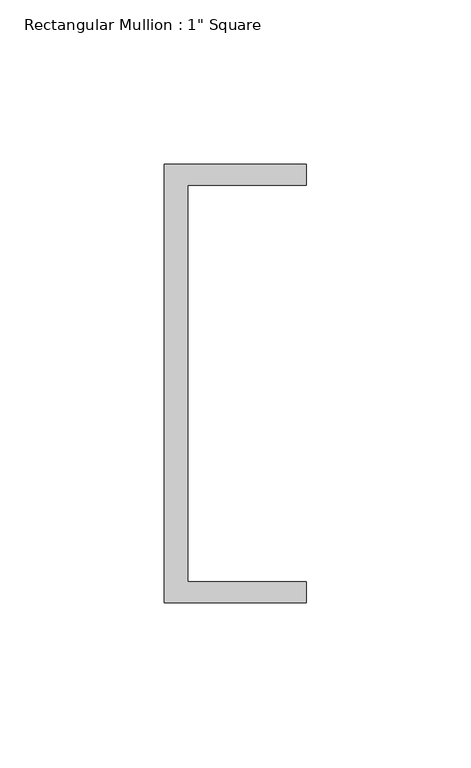
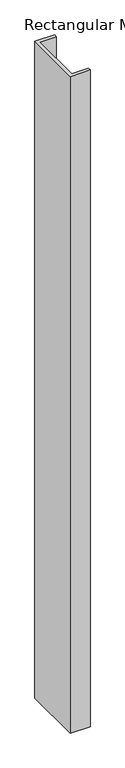
"""IFC4 building model written with IfcOpenShell, lengths in millimetres: member geometry."""

import ifcopenshell
import ifcopenshell.guid

model = None  # the IFC model being written
_history = None  # IfcOwnerHistory: only IFC2X3 demands one
_inside = {}  # id of a spatial element -> (the spatial element, [elements in it])
_under = {}  # id of a project, library or spatial element -> (it, [spatial elements below it])
_declared = {}  # id of a project -> (the project, [libraries it declares])
_typed = {}  # id of a type object -> (the type object, [elements of that type])
_made_of = {}  # id of a material, layer set ... -> (it, [elements and type objects made of it])


def new_model(schema):
    """Start an empty IFC model of exactly this schema.

    Asked for "IFC4X3", IfcOpenShell would pick the latest addendum, in which some entities
    have other attributes; the version numbers below select the first issue.
    IFC2X3 requires an IfcOwnerHistory on every rooted entity: one is made here for all.
    """
    global model, _history
    if schema == "IFC4X3":
        model = ifcopenshell.file(schema_version=(4, 3, 0, 0))
    else:
        model = ifcopenshell.file(schema=schema)
    _inside.clear()
    _under.clear()
    _declared.clear()
    _typed.clear()
    _made_of.clear()
    _history = None
    if model.schema == "IFC2X3":
        org = make("IfcOrganization", Name="unknown")
        user = make(
            "IfcPersonAndOrganization",
            ThePerson=make("IfcPerson", FamilyName="unknown"),
            TheOrganization=org,
        )
        app = make(
            "IfcApplication",
            ApplicationDeveloper=org,
            Version="unknown",
            ApplicationFullName="unknown",
            ApplicationIdentifier="unknown",
        )
        _history = make(
            "IfcOwnerHistory",
            OwningUser=user,
            OwningApplication=app,
            ChangeAction="ADDED",
            CreationDate=0,
        )
    return model


def make(cls, **values):
    """One entity of the class cls with the attributes given. An attribute that is None is left unset."""
    return model.create_entity(
        cls, **{name: value for name, value in values.items() if value is not None}
    )


def rooted(cls, **values):
    """An entity with a GlobalId (a new one), such as an element, a storey or a relation."""
    return make(cls, GlobalId=ifcopenshell.guid.new(), OwnerHistory=_history, **values)


def si_unit(unit_type, name, prefix=None):
    """IfcSIUnit, for example si_unit("LENGTHUNIT", "METRE", prefix="MILLI")."""
    return make("IfcSIUnit", UnitType=unit_type, Prefix=prefix, Name=name)


def assignment(units):
    """IfcUnitAssignment: the units of a project."""
    return None if units is None else make("IfcUnitAssignment", Units=units)


def point(xyz):
    """IfcCartesianPoint."""
    return None if xyz is None else make("IfcCartesianPoint", Coordinates=xyz)


def direction(xyz):
    """IfcDirection."""
    return None if xyz is None else make("IfcDirection", DirectionRatios=xyz)


def frame(location, z_axis=None, x_axis=None):
    """IfcAxis2Placement3D, a coordinate frame: its origin and axes. An axis left out is left unset."""
    return make(
        "IfcAxis2Placement3D",
        Location=point(location),
        Axis=direction(z_axis),
        RefDirection=direction(x_axis),
    )


def origin():
    """The frame at (0, 0, 0) with its axes left unset."""
    return frame((0.0, 0.0, 0.0))


def place(relative_to, where):
    """IfcLocalPlacement: puts the frame where relative to a parent placement (None: the world)."""
    return make(
        "IfcLocalPlacement", PlacementRelTo=relative_to, RelativePlacement=where
    )


def context(
    kind, dimensions, precision=None, world=None, true_north=None, identifier=None
):
    """IfcGeometricRepresentationContext, for example the 3D "Model" context."""
    return make(
        "IfcGeometricRepresentationContext",
        ContextIdentifier=identifier,
        ContextType=kind,
        CoordinateSpaceDimension=dimensions,
        Precision=precision,
        WorldCoordinateSystem=world,
        TrueNorth=true_north,
    )


def project(units=None, contexts=None):
    """IfcProject with its units and contexts."""
    return rooted(
        "IfcProject",
        Name="project",
        RepresentationContexts=contexts,
        UnitsInContext=assignment(units),
    )


def spatial(cls, under=None, at=None, **own):
    """A site, building, storey or space (cls), placed at a placement, below another one or the project."""
    s = rooted(cls, ObjectPlacement=at, **own)
    if under is not None:
        _under.setdefault(under.id(), (under, []))[1].append(s)
    return s


def polyline(points):
    """IfcPolyline through the points."""
    return make("IfcPolyline", Points=[point(p) for p in points])


def outline(outer, holes=None, kind="AREA"):
    """IfcArbitraryClosedProfileDef: a profile drawn as a closed curve; with holes, ...WithVoids."""
    if holes is None:
        return make("IfcArbitraryClosedProfileDef", ProfileType=kind, OuterCurve=outer)
    return make(
        "IfcArbitraryProfileDefWithVoids",
        ProfileType=kind,
        OuterCurve=outer,
        InnerCurves=holes,
    )


def extrude(swept, where, along, depth):
    """IfcExtrudedAreaSolid: the profile swept, set in the frame where, extruded along a direction by depth."""
    return make(
        "IfcExtrudedAreaSolid",
        SweptArea=swept,
        Position=where,
        ExtrudedDirection=direction(along),
        Depth=depth,
    )


def shape(context_of_items, identifier, shape_type, items):
    """IfcShapeRepresentation: the items that make up one representation, for example the "Body"."""
    return make(
        "IfcShapeRepresentation",
        ContextOfItems=context_of_items,
        RepresentationIdentifier=identifier,
        RepresentationType=shape_type,
        Items=items,
    )


def source(mapping_origin, context_of_items, identifier, shape_type, items):
    """IfcRepresentationMap: a shape defined once, which mapped items show again and again."""
    return make(
        "IfcRepresentationMap",
        MappingOrigin=mapping_origin,
        MappedRepresentation=shape(context_of_items, identifier, shape_type, items),
    )


def transform(
    local_origin,
    x_axis=None,
    y_axis=None,
    z_axis=None,
    scale=None,
    scale2=None,
    scale3=None,
    uniform=True,
):
    """IfcCartesianTransformationOperator3D, or its non-uniform kind. x_axis, y_axis, z_axis: its Axis1, 2, 3."""
    if uniform:
        return make(
            "IfcCartesianTransformationOperator3D",
            Axis1=direction(x_axis),
            Axis2=direction(y_axis),
            LocalOrigin=point(local_origin),
            Scale=scale,
            Axis3=direction(z_axis),
        )
    return make(
        "IfcCartesianTransformationOperator3DnonUniform",
        Axis1=direction(x_axis),
        Axis2=direction(y_axis),
        LocalOrigin=point(local_origin),
        Scale=scale,
        Axis3=direction(z_axis),
        Scale2=scale2,
        Scale3=scale3,
    )


def mapped(mapping_source, mapping_target):
    """IfcMappedItem: shows the shape of a source again, moved by a transform."""
    return make(
        "IfcMappedItem", MappingSource=mapping_source, MappingTarget=mapping_target
    )


def made_of(thing, what):
    """Note that an element or type object is made of a material, layer set ...; save() writes the relation."""
    if what is not None:
        _made_of.setdefault(what.id(), (what, []))[1].append(thing)
    return thing


def element(
    cls,
    number,
    at=None,
    inside=None,
    cuts=None,
    type_object=None,
    material=None,
    context=None,
    identifier="Body",
    shape_type=None,
    held_by="IfcProductDefinitionShape",
    body=None,
    shapes=None,
    **own,
):
    """One element of the class cls, such as IfcWall. Its Tag is "e" and its number.

    at: its placement. inside: the storey or other place that contains it. cuts: it is an
    opening in that element (IfcRelVoidsElement). A single representation is given by context,
    identifier, shape_type and body (its items); several are given by shapes. held_by: the class
    of the entity that holds the representations. save() writes the other relations.
    """
    e = rooted(cls, Tag="e%d" % number, ObjectPlacement=at, **own)
    if body is not None:
        shapes = [shape(context, identifier, shape_type, body)]
    if shapes is not None:
        e.Representation = make(held_by, Representations=shapes)
    if inside is not None:
        _inside.setdefault(inside.id(), (inside, []))[1].append(e)
    if cuts is not None:
        rooted(
            "IfcRelVoidsElement", RelatingBuildingElement=cuts, RelatedOpeningElement=e
        )
    if type_object is not None:
        _typed.setdefault(type_object.id(), (type_object, []))[1].append(e)
    return made_of(e, material)


def aggregate(whole, parts):
    """IfcRelAggregates: a whole, such as a stair, and the parts it consists of."""
    return rooted("IfcRelAggregates", RelatingObject=whole, RelatedObjects=parts)


def save(model, path):
    """Write the relations noted so far, then the file.

    IfcRelAggregates (storeys below a building ...), IfcRelContainedInSpatialStructure (elements
    in a storey), IfcRelDefinesByType, IfcRelAssociatesMaterial and IfcRelDeclares: one each for
    every whole, place, type object, material and project.
    """
    for whole, parts in _under.values():
        aggregate(whole, parts)
    for where, things in _inside.values():
        rooted(
            "IfcRelContainedInSpatialStructure",
            RelatedElements=things,
            RelatingStructure=where,
        )
    for kind, things in _typed.values():
        rooted("IfcRelDefinesByType", RelatedObjects=things, RelatingType=kind)
    for what, things in _made_of.values():
        rooted("IfcRelAssociatesMaterial", RelatedObjects=things, RelatingMaterial=what)
    for by, libraries in _declared.values():
        rooted("IfcRelDeclares", RelatingContext=by, RelatedDefinitions=libraries)
    model.write(path)


def member_b4b74abe(model_context):
    return source(origin(), model_context, "Body", "SweptSolid", [
        extrude(outline(polyline([(-18.6549463, 135.2608739), (24.5675083, 135.2608739), (24.5675083, 128.9108739), (-11.6110886, 128.9108739), (-11.6110886, 8.2608739), (24.5675083, 8.2608739), (24.5675083, 1.9108739), (-18.6549463, 1.9108739), (-18.6549463, 135.2608739)])), frame((0.0, 0.0, -1514.60988), z_axis=(0.0, 0.0, 1.0), x_axis=(1.0, 0.0, 0.0)), (0.0, 0.0, 1.0), 1514.60988),
    ])


if __name__ == "__main__":
    model = new_model("IFC4")
    model_context = context("Model", 3, world=origin())
    ifc_project = project(units=[si_unit("LENGTHUNIT", "METRE", prefix="MILLI")], contexts=[model_context])
    site = spatial("IfcSite", under=ifc_project)
    building = spatial("IfcBuilding", under=site)
    placement = place(None, origin())
    member_shape = member_b4b74abe(model_context)
    element("IfcMember", 1, ObjectType="Rectangular Mullion : 1\" Square", at=placement, inside=building, context=model_context, shape_type="MappedRepresentation", body=[
        mapped(member_shape, transform((0.0, 0.0, 0.0), x_axis=(1.0, 0.0, 0.0), y_axis=(0.0, 1.0, 0.0), z_axis=(0.0, 0.0, 1.0))),
    ])
    save(model, "model.ifc")
